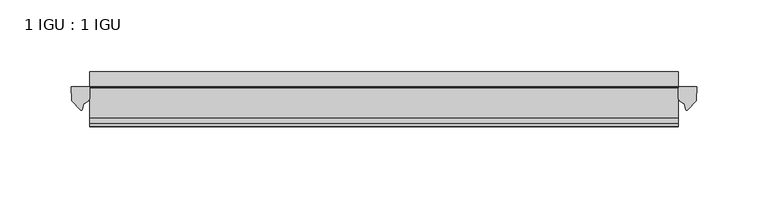
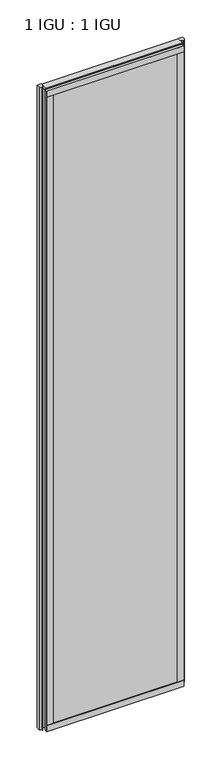
"""IFC4 building model written with IfcOpenShell, lengths in millimetres: plate geometry, 1 IGU : 1 IGU."""

from ifc_helpers import new_model, si_unit, point, frame, frame_2d, origin, place, context, project, spatial, polyline, circle_curve, ellipse_curve, trimmed, segment, composite_curve, outline, extrude, source, transform, mapped, element, save
from ifc_brep_helpers import plane_surface, cylinder_surface, revolved_surface, extruded_surface, advanced_brep


def plate_1_igu_1_igu_6e2e4930(model_context):
    return source(origin(), model_context, "Body", "SolidModel", [
        extrude(outline(polyline([(307.975, -11.6085937), (307.975, -18.8576359), (-105.7671875, -18.8576359), (-105.7671875, -11.6085937), (307.975, -11.6085937)])), frame((0.0, 0.0, -19.05), z_axis=(0.0, 0.0, 1.0), x_axis=(1.0, 0.0, 0.0)), (0.0, 0.0, 1.0), 2038.3500001),
        extrude(outline(polyline([(-105.7671875, -30.7093937), (307.975, -30.7093937), (307.975, -37.0085937), (-105.7671875, -37.0085937), (-105.7671875, -30.7093937)])), frame((0.0, 0.0, -19.05), z_axis=(0.0, 0.0, 1.0), x_axis=(1.0, 0.0, 0.0)), (0.0, 0.0, 1.0), 2038.3500001),
        extrude(outline(composite_curve([segment(polyline([(321.0529091, -11.6101465), (320.675, -21.3502133), (314.7369467, -27.6095865)]), True, "CONTINUOUS"), segment(trimmed(circle_curve(frame_2d((314.0641407, -27.2518492)), 0.762), [point((314.7369467, -27.6095865))], [point((313.3354364, -27.4746364))], False, "CARTESIAN"), True, "CONTINUOUS"), segment(polyline([(313.3354364, -27.4746364), (312.0736019, -23.3488397)]), True, "CONTINUOUS"), segment(trimmed(circle_curve(frame_2d((314.255559, -16.3834724)), 7.2991286), [point((312.0736019, -23.3488397))], [point((307.9751786, -20.1028944))], False, "CARTESIAN"), True, "CONTINUOUS"), segment(polyline([(307.9751786, -20.1028944), (307.9751786, -12.664425)]), True, "CONTINUOUS"), segment(trimmed(circle_curve(frame_2d((314.2564331, -16.3827796)), 7.2993369), [point((307.9751786, -12.664425))], [point((308.733545, -11.6101465))], False, "CARTESIAN"), True, "CONTINUOUS"), segment(polyline([(308.733545, -11.6101465), (321.0529091, -11.6101465)]), True, "CONTINUOUS")], self_intersect=False)), frame((0.0, 0.0, -19.05), z_axis=(0.0, 0.0, 1.0), x_axis=(1.0, 0.0, 0.0)), (0.0, 0.0, 1.0), 2045.4874001),
        extrude(outline(composite_curve([segment(polyline([(-105.7671875, -11.610702), (-105.7671875, -20.1014769)]), True, "CONTINUOUS"), segment(trimmed(circle_curve(frame_2d((-112.0483818, -16.3829847)), 7.2993552), [point((-105.7671875, -20.1014769))], [point((-109.8661373, -23.3484994))], False, "CARTESIAN"), True, "CONTINUOUS"), segment(polyline([(-109.8661373, -23.3484994), (-111.1276239, -27.4746364)]), True, "CONTINUOUS"), segment(trimmed(circle_curve(frame_2d((-111.8563282, -27.2518492)), 0.762), [point((-111.1276239, -27.4746364))], [point((-112.5291342, -27.6095865))], False, "CARTESIAN"), True, "CONTINUOUS"), segment(polyline([(-112.5291342, -27.6095865), (-118.4671875, -21.3502133), (-118.8450966, -11.610702), (-105.7671875, -11.610702)]), True, "CONTINUOUS")], self_intersect=False)), frame((0.0, 0.0, -19.05), z_axis=(0.0, 0.0, 1.0), x_axis=(1.0, 0.0, 0.0)), (0.0, 0.0, 1.0), 2045.4874001),
        extrude(outline(polyline([(-11.6085937, -15.24), (-11.6085937, 2.8161565), (-0.5298609, 1.2591422), (-0.5298609, -0.6645794), (-5.258589, 0.0), (-5.258589, -4.826), (-1.575589, -4.826), (-1.575589, -7.874), (-5.258589, -7.874), (-5.258589, -13.208), (-3.099589, -13.208), (-3.099589, -15.24), (-11.6085937, -15.24)])), frame((-105.7671875, 0.0, 0.0), z_axis=(1.0, 0.0, 0.0), x_axis=(0.0, 1.0, 0.0)), (0.0, 0.0, 1.0), 413.7421875),
        extrude(outline(polyline([(-105.7671875, -39.2945937), (-105.7671875, -37.0085937), (307.975, -37.0085937), (307.975, -39.2945937), (-105.7671875, -39.2945937)])), frame((0.0, 0.0, -19.05), z_axis=(0.0, 0.0, 1.0), x_axis=(1.0, 0.0, 0.0)), (0.0, 0.0, 1.0), 19.05),
        advanced_brep(
        [(-105.7671875, -24.3085937, 2018.1276629), (-105.7671875, -33.4116395, 2026.4374001), (-105.7671875, -12.7165288, 2026.4374001), (-105.7671875, -11.6085937, 2019.3000001), (-105.7671875, -17.9077937, 2019.3000001), (307.975, -24.3085937, 2018.1276629), (307.975, -17.9077937, 2019.3000001), (307.975, -11.6085937, 2019.3000001), (307.975, -12.7165288, 2026.4374001), (307.975, -33.4116395, 2026.4374001)],
        [
            (0, 1, ellipse_curve(frame((-105.7671875, -24.3085937, 2028.8250001), z_axis=(-1.0, 0.0, 0.0), x_axis=(0.0, 0.0, -1.0)), 10.6973372, 9.3386252)),
            (1, 2),
            (2, 3, circle_curve(frame((-105.7671875, 26.2083666, 2028.8250001), z_axis=(1.0, 0.0, 0.0), x_axis=(0.0, 0.0, -1.0)), 38.9980527)),
            (3, 4),
            (4, 0, circle_curve(frame((-105.7671875, -24.3085937, 2036.1875764), z_axis=(-1.0, 0.0, 0.0), x_axis=(0.0, 0.0, -1.0)), 18.0599135)),
            (5, 6, circle_curve(frame((307.975, -24.3085937, 2036.1875764), z_axis=(1.0, 0.0, 0.0), x_axis=(0.0, 0.0, -1.0)), 18.0599135)),
            (6, 7),
            (7, 8, circle_curve(frame((307.975, 26.2083666, 2028.8250001), z_axis=(-1.0, 0.0, 0.0), x_axis=(0.0, 0.0, -1.0)), 38.9980527)),
            (8, 9),
            (9, 5, ellipse_curve(frame((307.975, -24.3085937, 2028.8250001), z_axis=(1.0, 0.0, 0.0), x_axis=(0.0, 0.0, -1.0)), 10.6973372, 9.3386252)),
            (0, 5),
            (9, 1),
            (8, 2),
            (7, 3),
            (6, 4),
        ],
        [
            plane_surface(frame((-105.7671875, -9.2273437, 2028.8250001), z_axis=(-1.0, 0.0, 0.0), x_axis=(0.0, 1.0, 0.0))),
            plane_surface(frame((307.975, -9.2273438, 2028.8250001), z_axis=(1.0, 0.0, 0.0), x_axis=(0.0, 1.0, 0.0))),
            extruded_surface(trimmed(ellipse_curve(frame((307.975, -24.3085937, 2028.8250001), z_axis=(-1.0, 0.0, 0.0), x_axis=(0.0, 0.0, -1.0)), 10.6973372, 9.3386252), [point((307.975, -24.3085937, 2018.1276629))], [point((307.975, -33.4116395, 2026.4374001))], True, "CARTESIAN"), (-413.7421875, 0.0, 0.0), 413.7421875),
            plane_surface(frame((-105.7671875, -33.4116395, 2026.4374001), z_axis=(0.0, 0.0, 1.0), x_axis=(1.0, 0.0, 0.0))),
            revolved_surface(polyline([(307.975, 26.2083666, 1989.8269473999999), (-105.7671875, 26.2083666, 1989.8269473999999)]), (-105.7671875, 26.2083666, 2028.8250001), (1.0, 0.0, 0.0)),
            plane_surface(frame((-105.7671875, -11.6085937, 2019.3000001), z_axis=(0.0, 0.0, -1.0), x_axis=(1.0, 0.0, 0.0))),
            cylinder_surface(frame((-105.7671875, -24.3085937, 2036.1875764), z_axis=(-1.0, 0.0, 0.0), x_axis=(0.0, 0.0, -1.0)), 18.0599135),
        ],
        [
            (0, [[1, 2, 3, 4, 5]]),
            (1, [[6, 7, 8, 9, 10]]),
            (2, [[-1, 11, -10, 12]]),
            (3, [[-2, -12, -9, 13]]),
            (4, [[-3, -13, -8, 14]]),
            (5, [[-4, -14, -7, 15]]),
            (6, [[-5, -15, -6, -11]]),
        ],
    ),
        extrude(outline(polyline([(-105.7671875, -39.2945937), (-105.7671875, -37.0085937), (307.975, -37.0085937), (307.975, -39.2945937), (-105.7671875, -39.2945937)])), frame((0.0, 0.0, 2000.2500001), z_axis=(0.0, 0.0, 1.0), x_axis=(1.0, 0.0, 0.0)), (0.0, 0.0, 1.0), 19.05),
        extrude(outline(polyline([(288.925, -37.0085937), (307.975, -37.0085937), (307.975, -39.2945938), (288.925, -39.2945938), (288.925, -37.0085937)])), frame((0.0, 0.0, -19.05), z_axis=(0.0, 0.0, 1.0), x_axis=(1.0, 0.0, 0.0)), (0.0, 0.0, 1.0), 2038.3500001),
        extrude(outline(polyline([(-105.7671875, -39.2945937), (-105.7671875, -37.0085938), (-86.7171875, -37.0085938), (-86.7171875, -39.2945937), (-105.7671875, -39.2945937)])), frame((0.0, 0.0, -19.05), z_axis=(0.0, 0.0, 1.0), x_axis=(1.0, 0.0, 0.0)), (0.0, 0.0, 1.0), 2038.3500001),
    ])


if __name__ == "__main__":
    model = new_model("IFC4")
    model_context = context("Model", 3, world=origin())
    ifc_project = project(units=[si_unit("LENGTHUNIT", "METRE", prefix="MILLI")], contexts=[model_context])
    site = spatial("IfcSite", under=ifc_project)
    building = spatial("IfcBuilding", under=site)
    placement = place(None, origin())
    plate_1_igu_1_igu_shape = plate_1_igu_1_igu_6e2e4930(model_context)
    element("IfcPlate", 1, ObjectType="1 IGU : 1 IGU", at=placement, inside=building, context=model_context, shape_type="MappedRepresentation", body=[
        mapped(plate_1_igu_1_igu_shape, transform((0.0, 0.0, 0.0), x_axis=(1.0, 0.0, 0.0), y_axis=(0.0, 1.0, 0.0), z_axis=(0.0, 0.0, 1.0))),
    ])
    save(model, "model.ifc")
